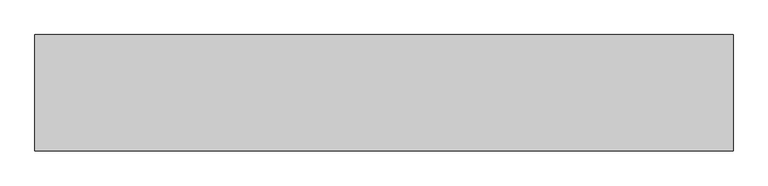
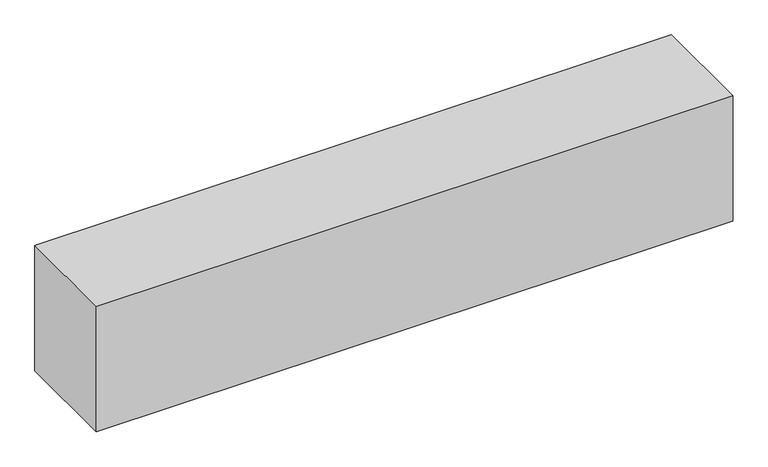
"""IFC4 building model written with IfcOpenShell, lengths in millimetres: beam geometry."""

import ifcopenshell
import ifcopenshell.guid

model = None  # the IFC model being written
_history = None  # IfcOwnerHistory: only IFC2X3 demands one
_inside = {}  # id of a spatial element -> (the spatial element, [elements in it])
_under = {}  # id of a project, library or spatial element -> (it, [spatial elements below it])
_declared = {}  # id of a project -> (the project, [libraries it declares])
_typed = {}  # id of a type object -> (the type object, [elements of that type])
_made_of = {}  # id of a material, layer set ... -> (it, [elements and type objects made of it])


def new_model(schema):
    """Start an empty IFC model of exactly this schema.

    Asked for "IFC4X3", IfcOpenShell would pick the latest addendum, in which some entities
    have other attributes; the version numbers below select the first issue.
    IFC2X3 requires an IfcOwnerHistory on every rooted entity: one is made here for all.
    """
    global model, _history
    if schema == "IFC4X3":
        model = ifcopenshell.file(schema_version=(4, 3, 0, 0))
    else:
        model = ifcopenshell.file(schema=schema)
    _inside.clear()
    _under.clear()
    _declared.clear()
    _typed.clear()
    _made_of.clear()
    _history = None
    if model.schema == "IFC2X3":
        org = make("IfcOrganization", Name="unknown")
        user = make(
            "IfcPersonAndOrganization",
            ThePerson=make("IfcPerson", FamilyName="unknown"),
            TheOrganization=org,
        )
        app = make(
            "IfcApplication",
            ApplicationDeveloper=org,
            Version="unknown",
            ApplicationFullName="unknown",
            ApplicationIdentifier="unknown",
        )
        _history = make(
            "IfcOwnerHistory",
            OwningUser=user,
            OwningApplication=app,
            ChangeAction="ADDED",
            CreationDate=0,
        )
    return model


def make(cls, **values):
    """One entity of the class cls with the attributes given. An attribute that is None is left unset."""
    return model.create_entity(
        cls, **{name: value for name, value in values.items() if value is not None}
    )


def rooted(cls, **values):
    """An entity with a GlobalId (a new one), such as an element, a storey or a relation."""
    return make(cls, GlobalId=ifcopenshell.guid.new(), OwnerHistory=_history, **values)


def si_unit(unit_type, name, prefix=None):
    """IfcSIUnit, for example si_unit("LENGTHUNIT", "METRE", prefix="MILLI")."""
    return make("IfcSIUnit", UnitType=unit_type, Prefix=prefix, Name=name)


def assignment(units):
    """IfcUnitAssignment: the units of a project."""
    return None if units is None else make("IfcUnitAssignment", Units=units)


def point(xyz):
    """IfcCartesianPoint."""
    return None if xyz is None else make("IfcCartesianPoint", Coordinates=xyz)


def direction(xyz):
    """IfcDirection."""
    return None if xyz is None else make("IfcDirection", DirectionRatios=xyz)


def frame(location, z_axis=None, x_axis=None):
    """IfcAxis2Placement3D, a coordinate frame: its origin and axes. An axis left out is left unset."""
    return make(
        "IfcAxis2Placement3D",
        Location=point(location),
        Axis=direction(z_axis),
        RefDirection=direction(x_axis),
    )


def origin():
    """The frame at (0, 0, 0) with its axes left unset."""
    return frame((0.0, 0.0, 0.0))


def origin_with_axes():
    """The frame at (0, 0, 0) with the z axis (0, 0, 1) and the x axis (1, 0, 0) written out."""
    return frame((0.0, 0.0, 0.0), z_axis=(0.0, 0.0, 1.0), x_axis=(1.0, 0.0, 0.0))


def place(relative_to, where):
    """IfcLocalPlacement: puts the frame where relative to a parent placement (None: the world)."""
    return make(
        "IfcLocalPlacement", PlacementRelTo=relative_to, RelativePlacement=where
    )


def context(
    kind, dimensions, precision=None, world=None, true_north=None, identifier=None
):
    """IfcGeometricRepresentationContext, for example the 3D "Model" context."""
    return make(
        "IfcGeometricRepresentationContext",
        ContextIdentifier=identifier,
        ContextType=kind,
        CoordinateSpaceDimension=dimensions,
        Precision=precision,
        WorldCoordinateSystem=world,
        TrueNorth=true_north,
    )


def project(units=None, contexts=None):
    """IfcProject with its units and contexts."""
    return rooted(
        "IfcProject",
        Name="project",
        RepresentationContexts=contexts,
        UnitsInContext=assignment(units),
    )


def spatial(cls, under=None, at=None, **own):
    """A site, building, storey or space (cls), placed at a placement, below another one or the project."""
    s = rooted(cls, ObjectPlacement=at, **own)
    if under is not None:
        _under.setdefault(under.id(), (under, []))[1].append(s)
    return s


def polyline(points):
    """IfcPolyline through the points."""
    return make("IfcPolyline", Points=[point(p) for p in points])


def outline(outer, holes=None, kind="AREA"):
    """IfcArbitraryClosedProfileDef: a profile drawn as a closed curve; with holes, ...WithVoids."""
    if holes is None:
        return make("IfcArbitraryClosedProfileDef", ProfileType=kind, OuterCurve=outer)
    return make(
        "IfcArbitraryProfileDefWithVoids",
        ProfileType=kind,
        OuterCurve=outer,
        InnerCurves=holes,
    )


def extrude(swept, where, along, depth):
    """IfcExtrudedAreaSolid: the profile swept, set in the frame where, extruded along a direction by depth."""
    return make(
        "IfcExtrudedAreaSolid",
        SweptArea=swept,
        Position=where,
        ExtrudedDirection=direction(along),
        Depth=depth,
    )


def shape(context_of_items, identifier, shape_type, items):
    """IfcShapeRepresentation: the items that make up one representation, for example the "Body"."""
    return make(
        "IfcShapeRepresentation",
        ContextOfItems=context_of_items,
        RepresentationIdentifier=identifier,
        RepresentationType=shape_type,
        Items=items,
    )


def source(mapping_origin, context_of_items, identifier, shape_type, items):
    """IfcRepresentationMap: a shape defined once, which mapped items show again and again."""
    return make(
        "IfcRepresentationMap",
        MappingOrigin=mapping_origin,
        MappedRepresentation=shape(context_of_items, identifier, shape_type, items),
    )


def transform(
    local_origin,
    x_axis=None,
    y_axis=None,
    z_axis=None,
    scale=None,
    scale2=None,
    scale3=None,
    uniform=True,
):
    """IfcCartesianTransformationOperator3D, or its non-uniform kind. x_axis, y_axis, z_axis: its Axis1, 2, 3."""
    if uniform:
        return make(
            "IfcCartesianTransformationOperator3D",
            Axis1=direction(x_axis),
            Axis2=direction(y_axis),
            LocalOrigin=point(local_origin),
            Scale=scale,
            Axis3=direction(z_axis),
        )
    return make(
        "IfcCartesianTransformationOperator3DnonUniform",
        Axis1=direction(x_axis),
        Axis2=direction(y_axis),
        LocalOrigin=point(local_origin),
        Scale=scale,
        Axis3=direction(z_axis),
        Scale2=scale2,
        Scale3=scale3,
    )


def mapped(mapping_source, mapping_target):
    """IfcMappedItem: shows the shape of a source again, moved by a transform."""
    return make(
        "IfcMappedItem", MappingSource=mapping_source, MappingTarget=mapping_target
    )


def made_of(thing, what):
    """Note that an element or type object is made of a material, layer set ...; save() writes the relation."""
    if what is not None:
        _made_of.setdefault(what.id(), (what, []))[1].append(thing)
    return thing


def element(
    cls,
    number,
    at=None,
    inside=None,
    cuts=None,
    type_object=None,
    material=None,
    context=None,
    identifier="Body",
    shape_type=None,
    held_by="IfcProductDefinitionShape",
    body=None,
    shapes=None,
    **own,
):
    """One element of the class cls, such as IfcWall. Its Tag is "e" and its number.

    at: its placement. inside: the storey or other place that contains it. cuts: it is an
    opening in that element (IfcRelVoidsElement). A single representation is given by context,
    identifier, shape_type and body (its items); several are given by shapes. held_by: the class
    of the entity that holds the representations. save() writes the other relations.
    """
    e = rooted(cls, Tag="e%d" % number, ObjectPlacement=at, **own)
    if body is not None:
        shapes = [shape(context, identifier, shape_type, body)]
    if shapes is not None:
        e.Representation = make(held_by, Representations=shapes)
    if inside is not None:
        _inside.setdefault(inside.id(), (inside, []))[1].append(e)
    if cuts is not None:
        rooted(
            "IfcRelVoidsElement", RelatingBuildingElement=cuts, RelatedOpeningElement=e
        )
    if type_object is not None:
        _typed.setdefault(type_object.id(), (type_object, []))[1].append(e)
    return made_of(e, material)


def aggregate(whole, parts):
    """IfcRelAggregates: a whole, such as a stair, and the parts it consists of."""
    return rooted("IfcRelAggregates", RelatingObject=whole, RelatedObjects=parts)


def save(model, path):
    """Write the relations noted so far, then the file.

    IfcRelAggregates (storeys below a building ...), IfcRelContainedInSpatialStructure (elements
    in a storey), IfcRelDefinesByType, IfcRelAssociatesMaterial and IfcRelDeclares: one each for
    every whole, place, type object, material and project.
    """
    for whole, parts in _under.values():
        aggregate(whole, parts)
    for where, things in _inside.values():
        rooted(
            "IfcRelContainedInSpatialStructure",
            RelatedElements=things,
            RelatingStructure=where,
        )
    for kind, things in _typed.values():
        rooted("IfcRelDefinesByType", RelatedObjects=things, RelatingType=kind)
    for what, things in _made_of.values():
        rooted("IfcRelAssociatesMaterial", RelatedObjects=things, RelatingMaterial=what)
    for by, libraries in _declared.values():
        rooted("IfcRelDeclares", RelatingContext=by, RelatedDefinitions=libraries)
    model.write(path)


def beam_1b2c428f(model_context):
    return source(origin(), model_context, "Body", "SweptSolid", [
        extrude(outline(polyline([(600.0, -100.0), (-600.0, -100.0), (-600.0, 100.0), (600.0, 100.0), (600.0, -100.0)])), origin_with_axes(), (0.0, 0.0, 1.0), 250.0),
    ])


if __name__ == "__main__":
    model = new_model("IFC4")
    model_context = context("Model", 3, world=origin())
    ifc_project = project(units=[si_unit("LENGTHUNIT", "METRE", prefix="MILLI")], contexts=[model_context])
    site = spatial("IfcSite", under=ifc_project)
    building = spatial("IfcBuilding", under=site)
    placement = place(None, origin())
    beam_shape = beam_1b2c428f(model_context)
    element("IfcBeam", 1, at=placement, inside=building, context=model_context, shape_type="MappedRepresentation", body=[
        mapped(beam_shape, transform((0.0, 0.0, 0.0), x_axis=(1.0, 0.0, 0.0), y_axis=(0.0, 1.0, 0.0), z_axis=(0.0, 0.0, 1.0))),
    ])
    save(model, "model.ifc")
